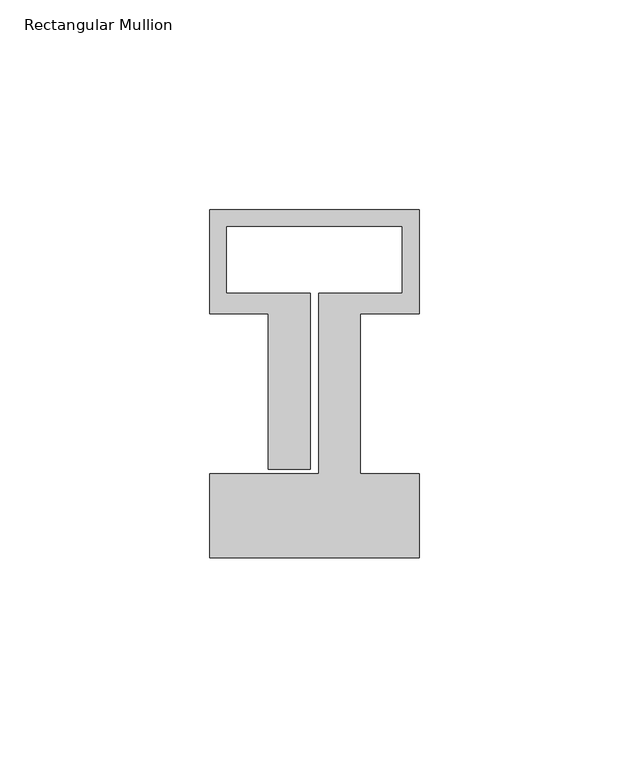
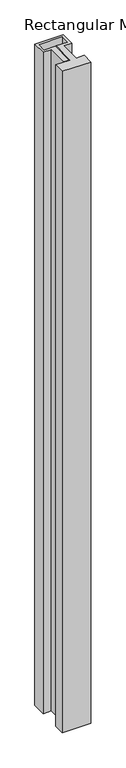
"""IFC4 building model written with IfcOpenShell, lengths in millimetres: member geometry, Rectangular Mullion."""

import ifcopenshell
import ifcopenshell.guid

model = None  # the IFC model being written
_history = None  # IfcOwnerHistory: only IFC2X3 demands one
_inside = {}  # id of a spatial element -> (the spatial element, [elements in it])
_under = {}  # id of a project, library or spatial element -> (it, [spatial elements below it])
_declared = {}  # id of a project -> (the project, [libraries it declares])
_typed = {}  # id of a type object -> (the type object, [elements of that type])
_made_of = {}  # id of a material, layer set ... -> (it, [elements and type objects made of it])


def new_model(schema):
    """Start an empty IFC model of exactly this schema.

    Asked for "IFC4X3", IfcOpenShell would pick the latest addendum, in which some entities
    have other attributes; the version numbers below select the first issue.
    IFC2X3 requires an IfcOwnerHistory on every rooted entity: one is made here for all.
    """
    global model, _history
    if schema == "IFC4X3":
        model = ifcopenshell.file(schema_version=(4, 3, 0, 0))
    else:
        model = ifcopenshell.file(schema=schema)
    _inside.clear()
    _under.clear()
    _declared.clear()
    _typed.clear()
    _made_of.clear()
    _history = None
    if model.schema == "IFC2X3":
        org = make("IfcOrganization", Name="unknown")
        user = make(
            "IfcPersonAndOrganization",
            ThePerson=make("IfcPerson", FamilyName="unknown"),
            TheOrganization=org,
        )
        app = make(
            "IfcApplication",
            ApplicationDeveloper=org,
            Version="unknown",
            ApplicationFullName="unknown",
            ApplicationIdentifier="unknown",
        )
        _history = make(
            "IfcOwnerHistory",
            OwningUser=user,
            OwningApplication=app,
            ChangeAction="ADDED",
            CreationDate=0,
        )
    return model


def make(cls, **values):
    """One entity of the class cls with the attributes given. An attribute that is None is left unset."""
    return model.create_entity(
        cls, **{name: value for name, value in values.items() if value is not None}
    )


def rooted(cls, **values):
    """An entity with a GlobalId (a new one), such as an element, a storey or a relation."""
    return make(cls, GlobalId=ifcopenshell.guid.new(), OwnerHistory=_history, **values)


def si_unit(unit_type, name, prefix=None):
    """IfcSIUnit, for example si_unit("LENGTHUNIT", "METRE", prefix="MILLI")."""
    return make("IfcSIUnit", UnitType=unit_type, Prefix=prefix, Name=name)


def assignment(units):
    """IfcUnitAssignment: the units of a project."""
    return None if units is None else make("IfcUnitAssignment", Units=units)


def point(xyz):
    """IfcCartesianPoint."""
    return None if xyz is None else make("IfcCartesianPoint", Coordinates=xyz)


def direction(xyz):
    """IfcDirection."""
    return None if xyz is None else make("IfcDirection", DirectionRatios=xyz)


def frame(location, z_axis=None, x_axis=None):
    """IfcAxis2Placement3D, a coordinate frame: its origin and axes. An axis left out is left unset."""
    return make(
        "IfcAxis2Placement3D",
        Location=point(location),
        Axis=direction(z_axis),
        RefDirection=direction(x_axis),
    )


def origin():
    """The frame at (0, 0, 0) with its axes left unset."""
    return frame((0.0, 0.0, 0.0))


def place(relative_to, where):
    """IfcLocalPlacement: puts the frame where relative to a parent placement (None: the world)."""
    return make(
        "IfcLocalPlacement", PlacementRelTo=relative_to, RelativePlacement=where
    )


def context(
    kind, dimensions, precision=None, world=None, true_north=None, identifier=None
):
    """IfcGeometricRepresentationContext, for example the 3D "Model" context."""
    return make(
        "IfcGeometricRepresentationContext",
        ContextIdentifier=identifier,
        ContextType=kind,
        CoordinateSpaceDimension=dimensions,
        Precision=precision,
        WorldCoordinateSystem=world,
        TrueNorth=true_north,
    )


def project(units=None, contexts=None):
    """IfcProject with its units and contexts."""
    return rooted(
        "IfcProject",
        Name="project",
        RepresentationContexts=contexts,
        UnitsInContext=assignment(units),
    )


def spatial(cls, under=None, at=None, **own):
    """A site, building, storey or space (cls), placed at a placement, below another one or the project."""
    s = rooted(cls, ObjectPlacement=at, **own)
    if under is not None:
        _under.setdefault(under.id(), (under, []))[1].append(s)
    return s


def polyline(points):
    """IfcPolyline through the points."""
    return make("IfcPolyline", Points=[point(p) for p in points])


def outline(outer, holes=None, kind="AREA"):
    """IfcArbitraryClosedProfileDef: a profile drawn as a closed curve; with holes, ...WithVoids."""
    if holes is None:
        return make("IfcArbitraryClosedProfileDef", ProfileType=kind, OuterCurve=outer)
    return make(
        "IfcArbitraryProfileDefWithVoids",
        ProfileType=kind,
        OuterCurve=outer,
        InnerCurves=holes,
    )


def extrude(swept, where, along, depth):
    """IfcExtrudedAreaSolid: the profile swept, set in the frame where, extruded along a direction by depth."""
    return make(
        "IfcExtrudedAreaSolid",
        SweptArea=swept,
        Position=where,
        ExtrudedDirection=direction(along),
        Depth=depth,
    )


def shape(context_of_items, identifier, shape_type, items):
    """IfcShapeRepresentation: the items that make up one representation, for example the "Body"."""
    return make(
        "IfcShapeRepresentation",
        ContextOfItems=context_of_items,
        RepresentationIdentifier=identifier,
        RepresentationType=shape_type,
        Items=items,
    )


def source(mapping_origin, context_of_items, identifier, shape_type, items):
    """IfcRepresentationMap: a shape defined once, which mapped items show again and again."""
    return make(
        "IfcRepresentationMap",
        MappingOrigin=mapping_origin,
        MappedRepresentation=shape(context_of_items, identifier, shape_type, items),
    )


def transform(
    local_origin,
    x_axis=None,
    y_axis=None,
    z_axis=None,
    scale=None,
    scale2=None,
    scale3=None,
    uniform=True,
):
    """IfcCartesianTransformationOperator3D, or its non-uniform kind. x_axis, y_axis, z_axis: its Axis1, 2, 3."""
    if uniform:
        return make(
            "IfcCartesianTransformationOperator3D",
            Axis1=direction(x_axis),
            Axis2=direction(y_axis),
            LocalOrigin=point(local_origin),
            Scale=scale,
            Axis3=direction(z_axis),
        )
    return make(
        "IfcCartesianTransformationOperator3DnonUniform",
        Axis1=direction(x_axis),
        Axis2=direction(y_axis),
        LocalOrigin=point(local_origin),
        Scale=scale,
        Axis3=direction(z_axis),
        Scale2=scale2,
        Scale3=scale3,
    )


def mapped(mapping_source, mapping_target):
    """IfcMappedItem: shows the shape of a source again, moved by a transform."""
    return make(
        "IfcMappedItem", MappingSource=mapping_source, MappingTarget=mapping_target
    )


def made_of(thing, what):
    """Note that an element or type object is made of a material, layer set ...; save() writes the relation."""
    if what is not None:
        _made_of.setdefault(what.id(), (what, []))[1].append(thing)
    return thing


def element(
    cls,
    number,
    at=None,
    inside=None,
    cuts=None,
    type_object=None,
    material=None,
    context=None,
    identifier="Body",
    shape_type=None,
    held_by="IfcProductDefinitionShape",
    body=None,
    shapes=None,
    **own,
):
    """One element of the class cls, such as IfcWall. Its Tag is "e" and its number.

    at: its placement. inside: the storey or other place that contains it. cuts: it is an
    opening in that element (IfcRelVoidsElement). A single representation is given by context,
    identifier, shape_type and body (its items); several are given by shapes. held_by: the class
    of the entity that holds the representations. save() writes the other relations.
    """
    e = rooted(cls, Tag="e%d" % number, ObjectPlacement=at, **own)
    if body is not None:
        shapes = [shape(context, identifier, shape_type, body)]
    if shapes is not None:
        e.Representation = make(held_by, Representations=shapes)
    if inside is not None:
        _inside.setdefault(inside.id(), (inside, []))[1].append(e)
    if cuts is not None:
        rooted(
            "IfcRelVoidsElement", RelatingBuildingElement=cuts, RelatedOpeningElement=e
        )
    if type_object is not None:
        _typed.setdefault(type_object.id(), (type_object, []))[1].append(e)
    return made_of(e, material)


def aggregate(whole, parts):
    """IfcRelAggregates: a whole, such as a stair, and the parts it consists of."""
    return rooted("IfcRelAggregates", RelatingObject=whole, RelatedObjects=parts)


def save(model, path):
    """Write the relations noted so far, then the file.

    IfcRelAggregates (storeys below a building ...), IfcRelContainedInSpatialStructure (elements
    in a storey), IfcRelDefinesByType, IfcRelAssociatesMaterial and IfcRelDeclares: one each for
    every whole, place, type object, material and project.
    """
    for whole, parts in _under.values():
        aggregate(whole, parts)
    for where, things in _inside.values():
        rooted(
            "IfcRelContainedInSpatialStructure",
            RelatedElements=things,
            RelatingStructure=where,
        )
    for kind, things in _typed.values():
        rooted("IfcRelDefinesByType", RelatedObjects=things, RelatingType=kind)
    for what, things in _made_of.values():
        rooted("IfcRelAssociatesMaterial", RelatedObjects=things, RelatingMaterial=what)
    for by, libraries in _declared.values():
        rooted("IfcRelDeclares", RelatingContext=by, RelatedDefinitions=libraries)
    model.write(path)


def rectangular_mullion_73bdbe17(model_context):
    return source(origin(), model_context, "Body", "SweptSolid", [
        extrude(outline(polyline([(0.0, -58.0), (-50.0, -58.0), (-50.0, -38.0), (-24.0, -38.0), (-24.0, 5.0), (-4.0, 5.0), (-4.0, 21.0), (-46.0, 21.0), (-46.0, 5.0), (-26.0, 5.0), (-26.0, -37.0), (-36.0, -37.0), (-36.0, 0.1), (-50.0, 0.1), (-50.0, 25.0), (0.0, 25.0), (0.0, 0.1), (-14.0, 0.1), (-14.0, -38.0), (0.0, -38.0), (0.0, -58.0)])), frame((0.0, 0.0, -1228.5714288), z_axis=(0.0, 0.0, 1.0), x_axis=(1.0, 0.0, 0.0)), (0.0, 0.0, 1.0), 1228.5714288),
    ])


if __name__ == "__main__":
    model = new_model("IFC4")
    model_context = context("Model", 3, world=origin())
    ifc_project = project(units=[si_unit("LENGTHUNIT", "METRE", prefix="MILLI")], contexts=[model_context])
    site = spatial("IfcSite", under=ifc_project)
    building = spatial("IfcBuilding", under=site)
    placement = place(None, origin())
    rectangular_mullion_shape = rectangular_mullion_73bdbe17(model_context)
    element("IfcMember", 1, ObjectType="Rectangular Mullion", at=placement, inside=building, context=model_context, shape_type="MappedRepresentation", body=[
        mapped(rectangular_mullion_shape, transform((0.0, 0.0, 0.0), x_axis=(1.0, 0.0, 0.0), y_axis=(0.0, 1.0, 0.0), z_axis=(0.0, 0.0, 1.0))),
    ])
    save(model, "model.ifc")
